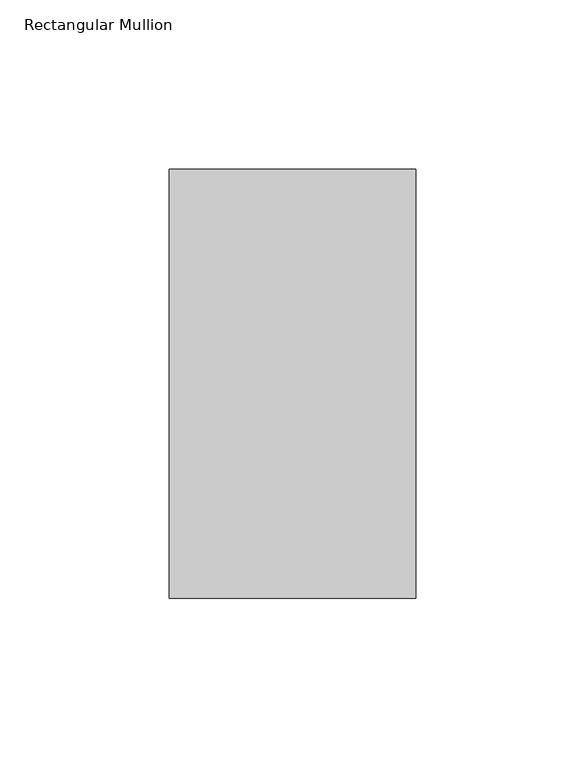
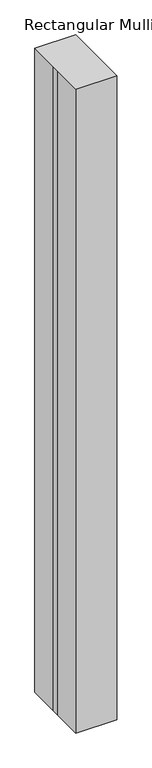
"""IFC4 building model written with IfcOpenShell, lengths in millimetres: member geometry, Rectangular Mullion."""

from ifc_helpers import new_model, si_unit, frame, origin, place, context, project, spatial, polyline, outline, extrude, source, transform, mapped, element, save


def rectangular_mullion_367ea30e(model_context):
    return source(origin(), model_context, "Body", "SweptSolid", [
        extrude(outline(polyline([(-73.025, 62.70625), (0.0, 62.70625), (0.0, -64.29375), (-73.025, -64.29375), (-73.025, -7.14375), (-73.025, 7.14375), (-73.025, 62.70625)])), frame((0.0, 0.0, -1219.2), z_axis=(0.0, 0.0, 1.0), x_axis=(1.0, 0.0, 0.0)), (0.0, 0.0, 1.0), 1219.2),
    ])


if __name__ == "__main__":
    model = new_model("IFC4")
    model_context = context("Model", 3, world=origin())
    ifc_project = project(units=[si_unit("LENGTHUNIT", "METRE", prefix="MILLI")], contexts=[model_context])
    site = spatial("IfcSite", under=ifc_project)
    building = spatial("IfcBuilding", under=site)
    placement = place(None, origin())
    rectangular_mullion_shape = rectangular_mullion_367ea30e(model_context)
    element("IfcMember", 1, ObjectType="Rectangular Mullion", at=placement, inside=building, context=model_context, shape_type="MappedRepresentation", body=[
        mapped(rectangular_mullion_shape, transform((0.0, 0.0, 0.0), x_axis=(1.0, 0.0, 0.0), y_axis=(0.0, 1.0, 0.0), z_axis=(0.0, 0.0, 1.0))),
    ])
    save(model, "model.ifc")
